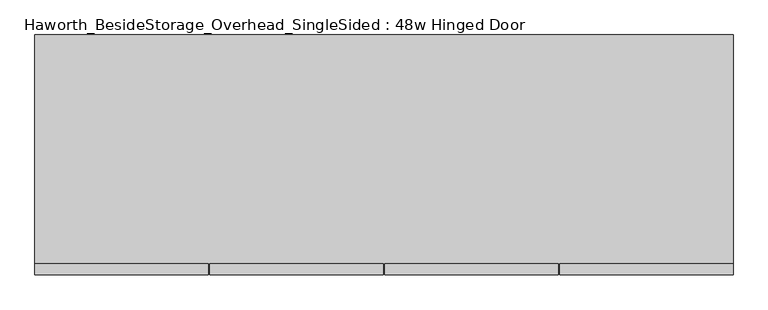
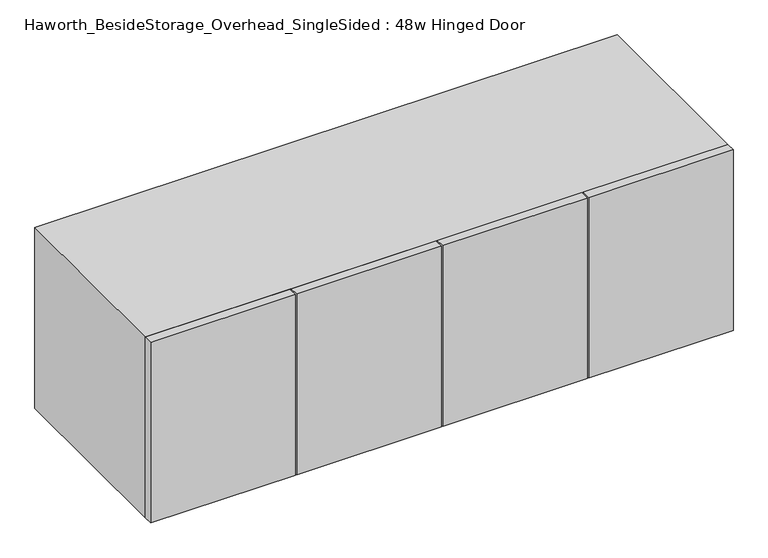
"""IFC4 building model written with IfcOpenShell, lengths in millimetres: furniture geometry, Haworth_BesideStorage_Overhead_SingleSided : 48w Hinged Door."""

from ifc_helpers import new_model, si_unit, frame, origin, place, context, project, spatial, polyline, outline, extrude, source, transform, mapped, element, save


def haworth_besidestorage_overhead_singlesided_48w_hinged_door_adf80c9c(model_context):
    return source(origin(), model_context, "Body", "SweptSolid", [
        extrude(outline(polyline([(472.28125, -419.1), (472.28125, -400.05), (774.7, -400.05), (774.7, -419.1), (472.28125, -419.1)])), frame((0.0, 0.0, 762.0), z_axis=(0.0, 0.0, 1.0), x_axis=(1.0, 0.0, 0.0)), (0.0, 0.0, 1.0), 400.05),
        extrude(outline(polyline([(469.10625, -419.1), (166.6875, -419.1), (166.6875, -400.05), (469.10625, -400.05), (469.10625, -419.1)])), frame((0.0, 0.0, 762.0), z_axis=(0.0, 0.0, 1.0), x_axis=(1.0, 0.0, 0.0)), (0.0, 0.0, 1.0), 400.05),
        extrude(outline(polyline([(-138.90625, -419.1), (-138.90625, -400.05), (163.5125, -400.05), (163.5125, -419.1), (-138.90625, -419.1)])), frame((0.0, 0.0, 762.0), z_axis=(0.0, 0.0, 1.0), x_axis=(1.0, 0.0, 0.0)), (0.0, 0.0, 1.0), 400.05),
        extrude(outline(polyline([(-142.08125, -419.1), (-444.5, -419.1), (-444.5, -400.05), (-142.08125, -400.05), (-142.08125, -419.1)])), frame((0.0, 0.0, 762.0), z_axis=(0.0, 0.0, 1.0), x_axis=(1.0, 0.0, 0.0)), (0.0, 0.0, 1.0), 400.05),
        extrude(outline(polyline([(174.625, -400.05), (155.575, -400.05), (155.575, -19.05), (174.625, -19.05), (174.625, -400.05)])), frame((0.0, 0.0, 781.05), z_axis=(0.0, 0.0, 1.0), x_axis=(1.0, 0.0, 0.0)), (0.0, 0.0, 1.0), 361.95),
        extrude(outline(polyline([(755.65, -19.05), (-425.45, -19.05), (-425.45, 0.0), (755.65, 0.0), (755.65, -19.05)])), frame((0.0, 0.0, 781.05), z_axis=(0.0, 0.0, 1.0), x_axis=(1.0, 0.0, 0.0)), (0.0, 0.0, 1.0), 361.95),
        extrude(outline(polyline([(762.0, 774.7), (1162.05, 774.7), (1162.05, -444.5), (762.0, -444.5), (762.0, 774.7)]), holes=[polyline([(1143.0, 755.65), (781.05, 755.65), (781.05, -425.45), (1143.0, -425.45), (1143.0, 755.65)])]), frame((0.0, -400.05, 0.0), z_axis=(0.0, 1.0, 0.0), x_axis=(0.0, 0.0, 1.0)), (0.0, 0.0, 1.0), 400.05),
    ])


if __name__ == "__main__":
    model = new_model("IFC4")
    model_context = context("Model", 3, world=origin())
    ifc_project = project(units=[si_unit("LENGTHUNIT", "METRE", prefix="MILLI")], contexts=[model_context])
    site = spatial("IfcSite", under=ifc_project)
    building = spatial("IfcBuilding", under=site)
    placement = place(None, origin())
    haworth_besidestorage_overhead_singlesided_48w_hinged_door_shape = haworth_besidestorage_overhead_singlesided_48w_hinged_door_adf80c9c(model_context)
    element("IfcFurniture", 1, ObjectType="Haworth_BesideStorage_Overhead_SingleSided : 48w Hinged Door", at=placement, inside=building, context=model_context, shape_type="MappedRepresentation", body=[
        mapped(haworth_besidestorage_overhead_singlesided_48w_hinged_door_shape, transform((0.0, 0.0, 0.0), x_axis=(1.0, 0.0, 0.0), y_axis=(0.0, 1.0, 0.0), z_axis=(0.0, 0.0, 1.0))),
    ])
    save(model, "model.ifc")
